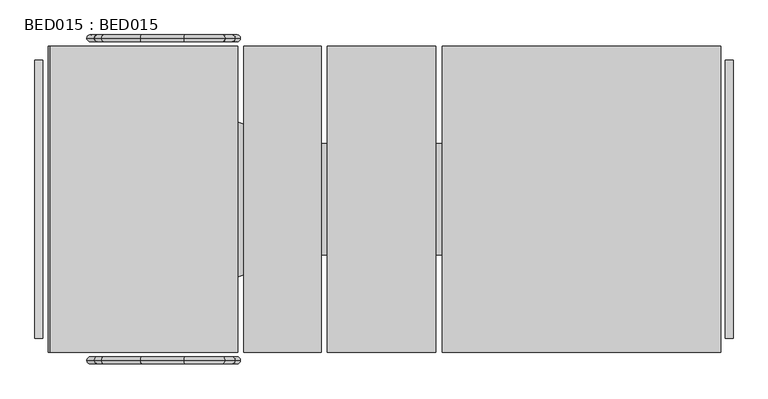
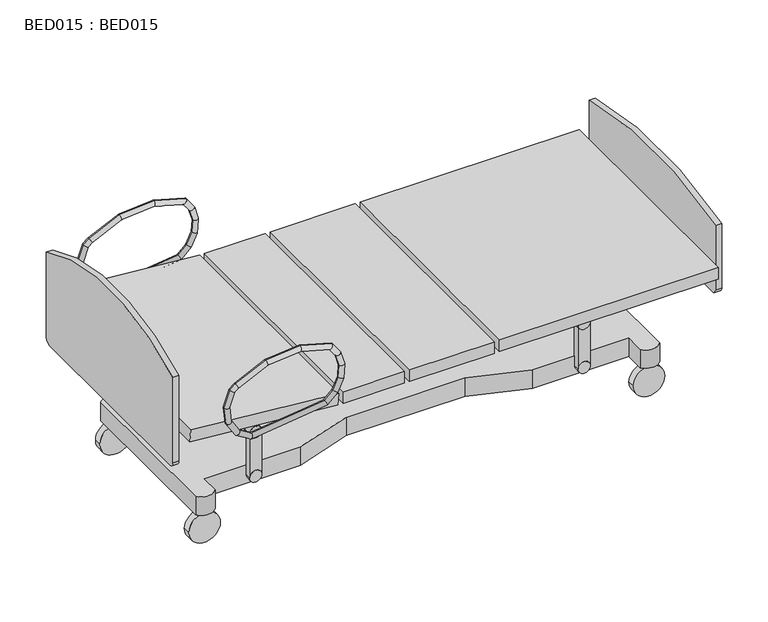
"""IFC4 building model written with IfcOpenShell, lengths in millimetres: proxy geometry, BED015 : BED015."""

from ifc_helpers import new_model, si_unit, point, frame, frame_2d, origin, place, context, project, spatial, polyline, circle_curve, ellipse_curve, trimmed, segment, composite_curve, outline, extrude, source, transform, mapped, element, save
from ifc_brep_helpers import cylinder_surface, advanced_brep


def bed015_bed015_a1354c95(model_context):
    return source(origin(), model_context, "Body", "SolidModel", [
        extrude(outline(polyline([(0.0, -150.0), (0.0, 0.0), (25.0000002, 0.0), (25.0000002, -150.0), (0.0, -150.0)])), frame((1662.8074623, -275.0750331, 457.496), z_axis=(0.7071067811865493, 0.0, 0.7071067811865457), x_axis=(0.0, 1.0, 0.0)), (0.0, 0.0, 1.0), 50.0082623),
        extrude(outline(polyline([(486.6650056, 339.9652372), (356.5131585, 415.1464592), (381.5030559, 458.4535191), (511.4340311, 383.4781745), (486.6650056, 339.9652372)])), frame((0.0, -274.9381326, 0.0), z_axis=(0.0, 1.0, 0.0), x_axis=(0.0, 0.0, 1.0)), (0.0, 0.0, 1.0), 25.0000002),
        extrude(outline(polyline([(1811.6899784, -814.2138184), (1761.690017, -814.2138184), (1761.690017, -789.2138182), (1811.6899784, -789.2138182), (1811.6899784, -814.2138184)])), frame((0.0, 0.0, 177.4846607), z_axis=(0.0, 0.0, 1.0), x_axis=(1.0, 0.0, 0.0)), (0.0, 0.0, 1.0), 191.5234375),
        extrude(outline(polyline([(1811.6899784, -274.9100003), (1761.690017, -274.9100003), (1761.690017, -249.9100001), (1811.6899784, -249.9100001), (1811.6899784, -274.9100003)])), frame((0.0, 0.0, 177.4846703), z_axis=(0.0, 0.0, 1.0), x_axis=(1.0, 0.0, 0.0)), (0.0, 0.0, 1.0), 191.5234375),
        extrude(outline(polyline([(0.0, -150.0), (0.0, 0.0), (25.0000002, 0.0), (25.0000002, -150.0), (0.0, -150.0)])), frame((1662.8074623, -814.2099672, 457.5225992), z_axis=(0.7071067811865496, 0.0, 0.7071067811865456), x_axis=(0.0, 1.0, 0.0)), (0.0, 0.0, 1.0), 50.0082623),
        extrude(outline(polyline([(461.8000099, -814.21875), (411.8000095, -814.21875), (411.8000095, -789.2187498), (461.8000099, -789.2187498), (461.8000099, -814.21875)])), frame((0.0, 0.0, 177.4799917), z_axis=(0.0, 0.0, 1.0), x_axis=(1.0, 0.0, 0.0)), (0.0, 0.0, 1.0), 184.8264567),
        extrude(outline(polyline([(461.8000099, -274.9100003), (411.8000095, -274.9100003), (411.8000095, -249.9100001), (461.8000099, -249.9100001), (461.8000099, -274.9100003)])), frame((0.0, 0.0, 177.4799917), z_axis=(0.0, 0.0, 1.0), x_axis=(1.0, 0.0, 0.0)), (0.0, 0.0, 1.0), 184.8264567),
        extrude(outline(polyline([(486.6650056, 339.9652372), (356.5131585, 415.1464592), (381.5030559, 458.4535191), (511.4340311, 383.4781745), (486.6650056, 339.9652372)])), frame((0.0, -274.9381326, 0.0), z_axis=(0.0, 1.0, 0.0), x_axis=(0.0, 0.0, 1.0)), (0.0, 0.0, 1.0), 25.0000002),
        extrude(outline(polyline([(486.6650056, 339.9652372), (356.5131585, 415.1464592), (381.5030559, 458.4535191), (511.4340311, 383.4781745), (486.6650056, 339.9652372)])), frame((0.0, -814.2099672, 0.0), z_axis=(0.0, 1.0, 0.0), x_axis=(0.0, 0.0, 1.0)), (0.0, 0.0, 1.0), 25.0000002),
        extrude(outline(composite_curve([segment(trimmed(circle_curve(frame_2d((499.032502, 361.6918124)), 24.9999807), [point((499.032502, 336.6918317))], [point((499.032502, 386.6917931))], False, "CARTESIAN"), True, "CONTINUOUS"), segment(trimmed(circle_curve(frame_2d((499.032502, 361.6918124)), 24.9999807), [point((499.032502, 386.6917931))], [point((499.032502, 336.6918317))], False, "CARTESIAN"), True, "CONTINUOUS")], self_intersect=False)), frame((0.0, -274.9600223, 0.0), z_axis=(0.0, 1.0, 0.0), x_axis=(0.0, 0.0, 1.0)), (0.0, 0.0, 1.0), 26.8962735),
        extrude(outline(composite_curve([segment(trimmed(circle_curve(frame_2d((369.0081078, 436.7999903)), 24.9999807), [point((369.0081078, 411.8000095))], [point((369.0081078, 461.799971))], False, "CARTESIAN"), True, "CONTINUOUS"), segment(trimmed(circle_curve(frame_2d((369.0081078, 436.7999903)), 24.9999807), [point((369.0081078, 461.799971))], [point((369.0081078, 411.8000095))], False, "CARTESIAN"), True, "CONTINUOUS")], self_intersect=False)), frame((0.0, -274.9787265, 0.0), z_axis=(0.0, 1.0, 0.0), x_axis=(0.0, 0.0, 1.0)), (0.0, 0.0, 1.0), 26.8962735),
        extrude(outline(composite_curve([segment(trimmed(circle_curve(frame_2d((177.4799917, 436.6899977)), 24.9999807), [point((177.4799917, 411.690017))], [point((177.4799917, 461.6899784))], False, "CARTESIAN"), True, "CONTINUOUS"), segment(trimmed(circle_curve(frame_2d((177.4799917, 436.6899977)), 24.9999807), [point((177.4799917, 461.6899784))], [point((177.4799917, 411.690017))], False, "CARTESIAN"), True, "CONTINUOUS")], self_intersect=False)), frame((0.0, -274.908258, 0.0), z_axis=(0.0, 1.0, 0.0), x_axis=(0.0, 0.0, 1.0)), (0.0, 0.0, 1.0), 26.8962735),
        extrude(outline(composite_curve([segment(trimmed(circle_curve(frame_2d((499.1349917, 361.6918124)), 24.9999807), [point((499.1349917, 336.6918317))], [point((499.1349917, 386.6917931))], False, "CARTESIAN"), True, "CONTINUOUS"), segment(trimmed(circle_curve(frame_2d((499.1349917, 361.6918124)), 24.9999807), [point((499.1349917, 386.6917931))], [point((499.1349917, 336.6918317))], False, "CARTESIAN"), True, "CONTINUOUS")], self_intersect=False)), frame((0.0, -816.0724765, 0.0), z_axis=(0.0, 1.0, 0.0), x_axis=(0.0, 0.0, 1.0)), (0.0, 0.0, 1.0), 26.8962735),
        extrude(outline(composite_curve([segment(trimmed(circle_curve(frame_2d((368.9325217, 436.7999903)), 24.9999807), [point((368.9325217, 411.8000095))], [point((368.9325217, 461.799971))], False, "CARTESIAN"), True, "CONTINUOUS"), segment(trimmed(circle_curve(frame_2d((368.9325217, 436.7999903)), 24.9999807), [point((368.9325217, 461.799971))], [point((368.9325217, 411.8000095))], False, "CARTESIAN"), True, "CONTINUOUS")], self_intersect=False)), frame((0.0, -816.1062406, 0.0), z_axis=(0.0, 1.0, 0.0), x_axis=(0.0, 0.0, 1.0)), (0.0, 0.0, 1.0), 26.8962735),
        extrude(outline(composite_curve([segment(trimmed(circle_curve(frame_2d((177.4846703, 436.6899977)), 24.9999807), [point((177.4846703, 411.690017))], [point((177.4846703, 461.6899784))], False, "CARTESIAN"), True, "CONTINUOUS"), segment(trimmed(circle_curve(frame_2d((177.4846703, 436.6899977)), 24.9999807), [point((177.4846703, 461.6899784))], [point((177.4846703, 411.690017))], False, "CARTESIAN"), True, "CONTINUOUS")], self_intersect=False)), frame((0.0, -816.1062406, 0.0), z_axis=(0.0, 1.0, 0.0), x_axis=(0.0, 0.0, 1.0)), (0.0, 0.0, 1.0), 26.8962735),
        extrude(outline(composite_curve([segment(trimmed(circle_curve(frame_2d((474.970002, 1680.4399977)), 24.9999807), [point((474.970002, 1655.440017))], [point((474.970002, 1705.4399784))], False, "CARTESIAN"), True, "CONTINUOUS"), segment(trimmed(circle_curve(frame_2d((474.970002, 1680.4399977)), 24.9999807), [point((474.970002, 1705.4399784))], [point((474.970002, 1655.440017))], False, "CARTESIAN"), True, "CONTINUOUS")], self_intersect=False)), frame((0.0, -274.9100003, 0.0), z_axis=(0.0, 1.0, 0.0), x_axis=(0.0, 0.0, 1.0)), (0.0, 0.0, 1.0), 27.0650141),
        extrude(outline(composite_curve([segment(trimmed(circle_curve(frame_2d((369.0081078, 1786.6899977)), 24.9999807), [point((369.0081078, 1761.690017))], [point((369.0081078, 1811.6899784))], False, "CARTESIAN"), True, "CONTINUOUS"), segment(trimmed(circle_curve(frame_2d((369.0081078, 1786.6899977)), 24.9999807), [point((369.0081078, 1811.6899784))], [point((369.0081078, 1761.690017))], False, "CARTESIAN"), True, "CONTINUOUS")], self_intersect=False)), frame((0.0, -275.0, 0.0), z_axis=(0.0, 1.0, 0.0), x_axis=(0.0, 0.0, 1.0)), (0.0, 0.0, 1.0), 26.8962735),
        extrude(outline(composite_curve([segment(trimmed(circle_curve(frame_2d((474.970002, 1680.4399977)), 24.9999807), [point((474.970002, 1655.440017))], [point((474.970002, 1705.4399784))], False, "CARTESIAN"), True, "CONTINUOUS"), segment(trimmed(circle_curve(frame_2d((474.970002, 1680.4399977)), 24.9999807), [point((474.970002, 1705.4399784))], [point((474.970002, 1655.440017))], False, "CARTESIAN"), True, "CONTINUOUS")], self_intersect=False)), frame((0.0, -816.1062406, 0.0), z_axis=(0.0, 1.0, 0.0), x_axis=(0.0, 0.0, 1.0)), (0.0, 0.0, 1.0), 26.8962735),
        extrude(outline(composite_curve([segment(trimmed(circle_curve(frame_2d((369.0081078, 1786.6899977)), 24.9999807), [point((369.0081078, 1761.690017))], [point((369.0081078, 1811.6899784))], False, "CARTESIAN"), True, "CONTINUOUS"), segment(trimmed(circle_curve(frame_2d((369.0081078, 1786.6899977)), 24.9999807), [point((369.0081078, 1811.6899784))], [point((369.0081078, 1761.690017))], False, "CARTESIAN"), True, "CONTINUOUS")], self_intersect=False)), frame((0.0, -816.084967, 0.0), z_axis=(0.0, 1.0, 0.0), x_axis=(0.0, 0.0, 1.0)), (0.0, 0.0, 1.0), 26.8962735),
        extrude(outline(composite_curve([segment(trimmed(circle_curve(frame_2d((177.4846703, 1786.6899977)), 24.9999807), [point((177.4846703, 1761.690017))], [point((177.4846703, 1811.6899784))], False, "CARTESIAN"), True, "CONTINUOUS"), segment(trimmed(circle_curve(frame_2d((177.4846703, 1786.6899977)), 24.9999807), [point((177.4846703, 1811.6899784))], [point((177.4846703, 1761.690017))], False, "CARTESIAN"), True, "CONTINUOUS")], self_intersect=False)), frame((0.0, -816.1062406, 0.0), z_axis=(0.0, 1.0, 0.0), x_axis=(0.0, 0.0, 1.0)), (0.0, 0.0, 1.0), 26.8962735),
        extrude(outline(composite_curve([segment(trimmed(circle_curve(frame_2d((177.4799917, 1786.6899977)), 24.9999807), [point((177.4799917, 1761.690017))], [point((177.4799917, 1811.6899784))], False, "CARTESIAN"), True, "CONTINUOUS"), segment(trimmed(circle_curve(frame_2d((177.4799917, 1786.6899977)), 24.9999807), [point((177.4799917, 1811.6899784))], [point((177.4799917, 1761.690017))], False, "CARTESIAN"), True, "CONTINUOUS")], self_intersect=False)), frame((0.0, -274.9100003, 0.0), z_axis=(0.0, 1.0, 0.0), x_axis=(0.0, 0.0, 1.0)), (0.0, 0.0, 1.0), 26.8962735),
        extrude(outline(composite_curve([segment(trimmed(circle_curve(frame_2d((64.3041349, 2024.8453983)), 65.0), [point((64.3041349, 1959.8453983))], [point((64.3041349, 2089.8453983))], False, "CARTESIAN"), True, "CONTINUOUS"), segment(trimmed(circle_curve(frame_2d((64.3041349, 2024.8453983)), 65.0), [point((64.3041349, 2089.8453983))], [point((64.3041349, 1959.8453983))], False, "CARTESIAN"), True, "CONTINUOUS")], self_intersect=False)), frame((0.0, -230.4499922, 0.0), z_axis=(0.0, 1.0, 0.0), x_axis=(0.0, 0.0, 1.0)), (0.0, 0.0, 1.0), 30.0000039),
        extrude(outline(composite_curve([segment(trimmed(circle_curve(frame_2d((64.3041349, 2024.8453983)), 65.0), [point((64.3041349, 1959.8453983))], [point((64.3041349, 2089.8453983))], False, "CARTESIAN"), True, "CONTINUOUS"), segment(trimmed(circle_curve(frame_2d((64.3041349, 2024.8453983)), 65.0), [point((64.3041349, 2089.8453983))], [point((64.3041349, 1959.8453983))], False, "CARTESIAN"), True, "CONTINUOUS")], self_intersect=False)), frame((0.0, -863.7499961, 0.0), z_axis=(0.0, 1.0, 0.0), x_axis=(0.0, 0.0, 1.0)), (0.0, 0.0, 1.0), 30.0000039),
        extrude(outline(composite_curve([segment(trimmed(circle_curve(frame_2d((66.6954777, 198.3449473)), 65.0), [point((66.6954777, 133.3449473))], [point((66.6954777, 263.3449473))], False, "CARTESIAN"), True, "CONTINUOUS"), segment(trimmed(circle_curve(frame_2d((66.6954777, 198.3449473)), 65.0), [point((66.6954777, 263.3449473))], [point((66.6954777, 133.3449473))], False, "CARTESIAN"), True, "CONTINUOUS")], self_intersect=False)), frame((0.0, -863.75, 0.0), z_axis=(0.0, 1.0, 0.0), x_axis=(0.0, 0.0, 1.0)), (0.0, 0.0, 1.0), 30.0000039),
        extrude(outline(composite_curve([segment(trimmed(circle_curve(frame_2d((66.6954777, 198.3449473)), 65.0), [point((66.6954777, 133.3449473))], [point((66.6954777, 263.3449473))], False, "CARTESIAN"), True, "CONTINUOUS"), segment(trimmed(circle_curve(frame_2d((66.6954777, 198.3449473)), 65.0), [point((66.6954777, 263.3449473))], [point((66.6954777, 133.3449473))], False, "CARTESIAN"), True, "CONTINUOUS")], self_intersect=False)), frame((0.0, -230.4499961, 0.0), z_axis=(0.0, 1.0, 0.0), x_axis=(0.0, 0.0, 1.0)), (0.0, 0.0, 1.0), 30.0000039),
        extrude(outline(composite_curve([segment(polyline([(158.4800068, -869.2100258), (158.4800068, -194.9099961)]), True, "CONTINUOUS"), segment(trimmed(circle_curve(frame_2d((198.4799998, -224.9099909)), 49.9999913), [point((158.4800068, -194.9099961))], [point((238.4799929, -194.9099961))], False, "CARTESIAN"), True, "CONTINUOUS"), segment(polyline([(238.4799929, -194.9099961), (238.4799929, -274.9100003), (635.1099981, -274.9100003), (869.1100319, -352.060015), (1354.3799755, -352.060015), (1588.3700535, -274.9100003), (1985.0000587, -274.9100003), (1985.0000587, -194.9099961)]), True, "CONTINUOUS"), segment(trimmed(circle_curve(frame_2d((2025.0000154, -224.9099182)), 49.9999186), [point((1985.0000587, -194.9099961))], [point((2064.9999722, -194.9099961))], False, "CARTESIAN"), True, "CONTINUOUS"), segment(polyline([(2064.9999722, -194.9099961), (2064.9999722, -869.2100258)]), True, "CONTINUOUS"), segment(trimmed(circle_curve(frame_2d((2025.0000154, -839.2099674)), 50.0000004), [point((2064.9999722, -869.2100258))], [point((1985.0000587, -869.2100258))], False, "CARTESIAN"), True, "CONTINUOUS"), segment(polyline([(1985.0000587, -869.2100258), (1985.0000587, -789.209967), (1588.3700535, -789.209967), (1354.3799755, -712.060025), (869.1100319, -712.060025), (635.1099981, -789.209967), (238.4799929, -789.209967), (238.4799929, -869.2100258)]), True, "CONTINUOUS"), segment(trimmed(circle_curve(frame_2d((198.4799998, -839.2098948)), 50.0000731), [point((238.4799929, -869.2100258))], [point((158.4800068, -869.2100258))], False, "CARTESIAN"), True, "CONTINUOUS")], self_intersect=False)), frame((0.0, 0.0, 139.0000003), z_axis=(0.0, 0.0, 1.0), x_axis=(1.0, 0.0, 0.0)), (0.0, 0.0, 1.0), 80.0000042),
        extrude(outline(composite_curve([segment(trimmed(circle_curve(frame_2d((-104.4382511, 488.6500062)), 22.3782527), [point((-82.0599984, 488.6500062))], [point((-102.0990868, 466.3943439))], False, "CARTESIAN"), True, "CONTINUOUS"), segment(trimmed(circle_curve(frame_2d((-532.1283602, 4557.8495776)), 4113.992113), [point((-102.0990868, 466.3943439))], [point((-962.1576337, 466.3943439))], False, "CARTESIAN"), True, "CONTINUOUS"), segment(trimmed(circle_curve(frame_2d((-959.832851, 488.5131735)), 22.2406663), [point((-962.1576337, 466.3943439))], [point((-982.0599689, 487.7369855))], False, "CARTESIAN"), True, "CONTINUOUS"), segment(polyline([(-982.0599689, 487.7369855), (-982.0599689, 859.2516306)]), True, "CONTINUOUS"), segment(trimmed(circle_curve(frame_2d((-532.0599837, -8.4389925)), 977.4390028), [point((-982.0599689, 859.2516306))], [point((-82.0599984, 859.2516306))], False, "CARTESIAN"), True, "CONTINUOUS"), segment(polyline([(-82.0599984, 859.2516306), (-82.0599984, 488.6500062)]), True, "CONTINUOUS")], self_intersect=False)), frame((0.0, 0.0, 0.0), z_axis=(1.0, 0.0, 0.0), x_axis=(0.0, 1.0, 0.0)), (0.0, 0.0, 1.0), 25.0000002),
        extrude(outline(composite_curve([segment(trimmed(circle_curve(frame_2d((-102.0600131, 458.9999991)), 20.0000147), [point((-82.0599984, 458.9999991))], [point((-102.0600131, 438.9999845))], False, "CARTESIAN"), True, "CONTINUOUS"), segment(polyline([(-102.0600131, 438.9999845), (-962.0600269, 438.9999845)]), True, "CONTINUOUS"), segment(trimmed(circle_curve(frame_2d((-962.0600269, 458.9999265)), 19.999942), [point((-962.0600269, 438.9999845))], [point((-982.0599689, 458.9999265))], False, "CARTESIAN"), True, "CONTINUOUS"), segment(polyline([(-982.0599689, 458.9999265), (-982.0599689, 739.0000231)]), True, "CONTINUOUS"), segment(trimmed(circle_curve(frame_2d((-532.0599837, -918.5006854)), 1717.5006799), [point((-982.0599689, 739.0000231))], [point((-82.0599984, 739.0000231))], False, "CARTESIAN"), True, "CONTINUOUS"), segment(polyline([(-82.0599984, 739.0000231), (-82.0599984, 458.9999991)]), True, "CONTINUOUS")], self_intersect=False)), frame((2229.9999298, 0.0, 0.0), z_axis=(1.0, 0.0, 0.0), x_axis=(0.0, 1.0, 0.0)), (0.0, 0.0, 1.0), 25.0000729),
        extrude(outline(polyline([(2064.9999722, -789.209967), (1464.9999676, -789.209967), (1464.9999676, -274.9100003), (2064.9999722, -274.9100003), (2064.9999722, -789.209967)])), frame((0.0, 0.0, 438.9999845), z_axis=(0.0, 0.0, 1.0), x_axis=(1.0, 0.0, 0.0)), (0.0, 0.0, 1.0), 100.0000008),
        extrude(outline(polyline([(0.0, -410.0), (0.0, 0.0), (514.2999667, 0.0), (514.2999667, -410.0), (0.0, -410.0)])), frame((133.863975, -789.209967, 484.0154115), z_axis=(0.08715574274767202, 0.0, 0.9961946980917444), x_axis=(0.0, 1.0, 0.0)), (0.0, 0.0, 1.0), 100.0),
        extrude(outline(polyline([(2214.9999733, -1027.0599838), (1314.9999664, -1027.0599838), (1314.9999664, -37.0599994), (2214.9999733, -37.0599994), (2214.9999733, -1027.0599838)])), frame((0.0, 0.0, 538.9999852), z_axis=(0.0, 0.0, 1.0), x_axis=(1.0, 0.0, 0.0)), (0.0, 0.0, 1.0), 50.0000004),
        extrude(outline(polyline([(0.0, -609.9986206), (0.0, 0.0), (989.9999844, 0.0), (989.9999844, -609.9986206), (0.0, -609.9986206)])), frame((42.9622124, -1027.0599838, 592.3502689), z_axis=(0.08715574274766484, 0.0, 0.996194698091745), x_axis=(0.0, 1.0, 0.0)), (0.0, 0.0, 1.0), 50.0050726),
        extrude(outline(polyline([(925.0000071, -1027.0599838), (675.0000051, -1027.0599838), (675.0000051, -37.0599994), (925.0000071, -37.0599994), (925.0000071, -1027.0599838)])), frame((0.0, 0.0, 538.9999852), z_axis=(0.0, 0.0, 1.0), x_axis=(1.0, 0.0, 0.0)), (0.0, 0.0, 1.0), 50.0000004),
        extrude(outline(polyline([(1295.0000244, -1027.0599838), (945.0000217, -1027.0599838), (945.0000217, -37.0599994), (1295.0000244, -37.0599994), (1295.0000244, -1027.0599838)])), frame((0.0, 0.0, 538.9999852), z_axis=(0.0, 0.0, 1.0), x_axis=(1.0, 0.0, 0.0)), (0.0, 0.0, 1.0), 50.0000004),
        advanced_brep(
        [(214.3530654, -1052.4199997, 799.6303374), (226.2269461, -1052.4199997, 780.5496636), (211.0857226, -1052.4199997, 768.6587501), (192.1342873, -1052.4199997, 782.1811814), (190.5939535, -1052.4199997, 709.6878091), (167.7860609, -1052.4199997, 712.112179), (198.4618399, -1052.4199997, 645.8560688), (176.9181543, -1052.4199997, 638.0239948), (232.3142019, -1052.4199997, 593.5883634), (216.2657937, -1052.4199997, 577.2716366), (281.7251372, -1052.4199997, 562.7369114), (276.5948533, -1052.4199997, 539.6030704), (581.2641187, -1052.4199997, 599.3688088), (591.4758538, -1052.4199997, 578.1112087), (615.607878, -1052.4199997, 632.9363143), (634.1120615, -1052.4199997, 619.7837327), (637.8791594, -1052.4199997, 680.362374), (659.8808709, -1052.4199997, 674.6576787), (641.3981889, -1052.4199997, 731.7588725), (663.9618136, -1052.4199997, 734.261091), (627.5245215, -1052.4199997, 778.3777578), (647.8554796, -1052.4199997, 788.3822775), (600.8065106, -1052.4199997, 815.383488), (614.3734586, -1052.4199997, 834.756487), (480.7362886, -1052.4199997, 849.4423645), (482.9436976, -1052.4199997, 872.0375874), (346.9308257, -1052.4199997, 838.4957222), (340.9891757, -1052.4199997, 860.4242695)],
        [
            (0, 1, ellipse_curve(frame((220.2900058, -1052.4199997, 790.0900005), z_axis=(-0.8490274329536409, 0.0, -0.5283487655821207), x_axis=(-0.5283487655821202, 0.0, 0.8490274329536414)), 11.2367828, 11.1699997)),
            (1, 2),
            (2, 3, ellipse_curve(frame((201.610005, -1052.4199997, 775.4199657), z_axis=(0.5808311701988386, 0.0, 0.814024048616162), x_axis=(0.8140240486161625, 0.0, -0.5808311701988381)), 11.6405869, 11.1699997)),
            (3, 0),
            (1, 0, ellipse_curve(frame((220.2900058, -1052.4199997, 790.0900005), z_axis=(-0.8490274329536409, 0.0, -0.5283487655821207), x_axis=(-0.5283487655821202, 0.0, 0.8490274329536414)), 11.2367828, 11.1699997)),
            (3, 2, ellipse_curve(frame((201.610005, -1052.4199997, 775.4199657), z_axis=(0.5808311701988386, 0.0, 0.814024048616162), x_axis=(0.8140240486161625, 0.0, -0.5808311701988381)), 11.6405869, 11.1699997)),
            (2, 4),
            (4, 5, ellipse_curve(frame((179.1900072, -1052.4199997, 710.8999941), z_axis=(0.10569976110530512, 0.0, 0.9943980895508003), x_axis=(0.9943980895508002, 0.0, -0.10569976110530542)), 11.4681901, 11.1699997)),
            (5, 3),
            (5, 4, ellipse_curve(frame((179.1900072, -1052.4199997, 710.8999941), z_axis=(0.10569976110530512, 0.0, 0.9943980895508003), x_axis=(0.9943980895508002, 0.0, -0.10569976110530542)), 11.4681901, 11.1699997)),
            (4, 6),
            (6, 7, ellipse_curve(frame((187.6899971, -1052.4199997, 641.9400318), z_axis=(-0.34166625333116835, 0.0, 0.9398213507548348), x_axis=(0.939821350754835, 0.0, 0.3416662533311677)), 11.4615855, 11.1699997)),
            (7, 5),
            (7, 6, ellipse_curve(frame((187.6899971, -1052.4199997, 641.9400318), z_axis=(-0.34166625333116835, 0.0, 0.9398213507548348), x_axis=(0.939821350754835, 0.0, 0.3416662533311677)), 11.4615855, 11.1699997)),
            (6, 8),
            (8, 9, ellipse_curve(frame((224.2899978, -1052.4199997, 585.43), z_axis=(-0.7129444524173487, 0.0, 0.7012205129396365), x_axis=(0.7012205129396368, 0.0, 0.7129444524173483)), 11.4431964, 11.1699997)),
            (9, 7),
            (9, 8, ellipse_curve(frame((224.2899978, -1052.4199997, 585.43), z_axis=(-0.7129444524173487, 0.0, 0.7012205129396365), x_axis=(0.7012205129396368, 0.0, 0.7129444524173483)), 11.4431964, 11.1699997)),
            (8, 10),
            (10, 11, ellipse_curve(frame((279.1599953, -1052.4199997, 551.1699909), z_axis=(-0.976281426588939, 0.0, 0.2165053719829285), x_axis=(0.21650537198292896, 0.0, 0.9762814265889389)), 11.8479367, 11.1699997)),
            (11, 9),
            (11, 10, ellipse_curve(frame((279.1599953, -1052.4199997, 551.1699909), z_axis=(-0.976281426588939, 0.0, 0.2165053719829285), x_axis=(0.21650537198292896, 0.0, 0.9762814265889389)), 11.8479367, 11.1699997)),
            (10, 12),
            (12, 13, ellipse_curve(frame((586.3699862, -1052.4199997, 588.7400087), z_axis=(-0.9013892364609827, 0.0, -0.43300975092056154), x_axis=(-0.4330097509205613, 0.0, 0.9013892364609826)), 11.7915764, 11.1699997)),
            (13, 11),
            (13, 12, ellipse_curve(frame((586.3699862, -1052.4199997, 588.7400087), z_axis=(-0.9013892364609827, 0.0, -0.43300975092056154), x_axis=(-0.4330097509205613, 0.0, 0.9013892364609826)), 11.7915764, 11.1699997)),
            (12, 14),
            (14, 15, ellipse_curve(frame((624.8599697, -1052.4199997, 626.3600235), z_axis=(-0.579349740408754, 0.0, -0.8150790625996409), x_axis=(-0.8150790625996409, 0.0, 0.5793497404087542)), 11.3511586, 11.1699997)),
            (15, 13),
            (15, 14, ellipse_curve(frame((624.8599697, -1052.4199997, 626.3600235), z_axis=(-0.579349740408754, 0.0, -0.8150790625996409), x_axis=(-0.8150790625996409, 0.0, 0.5793497404087542)), 11.3511586, 11.1699997)),
            (14, 16),
            (16, 17, ellipse_curve(frame((648.8800152, -1052.4199997, 677.5100264), z_axis=(-0.25098474459987513, 0.0, -0.9679910423026317), x_axis=(-0.967991042302632, 0.0, 0.250984744599874)), 11.3646256, 11.1699997)),
            (17, 15),
            (17, 16, ellipse_curve(frame((648.8800152, -1052.4199997, 677.5100264), z_axis=(-0.25098474459987513, 0.0, -0.9679910423026317), x_axis=(-0.967991042302632, 0.0, 0.250984744599874)), 11.3646256, 11.1699997)),
            (16, 18),
            (18, 19, ellipse_curve(frame((652.6800013, -1052.4199997, 733.0099817), z_axis=(0.11022045215464882, 0.0, -0.9939071646420629), x_axis=(-0.9939071646420627, 0.0, -0.11022045215464936)), 11.350972, 11.1699997)),
            (19, 17),
            (19, 18, ellipse_curve(frame((652.6800013, -1052.4199997, 733.0099817), z_axis=(0.11022045215464882, 0.0, -0.9939071646420629), x_axis=(-0.9939071646420627, 0.0, -0.11022045215464936)), 11.350972, 11.1699997)),
            (18, 20),
            (20, 21, ellipse_curve(frame((637.6900005, -1052.4199997, 783.3800177), z_axis=(0.4415217754701648, 0.0, -0.8972505345697341), x_axis=(-0.8972505345697347, 0.0, -0.441521775470163)), 11.3295882, 11.1699997)),
            (21, 19),
            (21, 20, ellipse_curve(frame((637.6900005, -1052.4199997, 783.3800177), z_axis=(0.4415217754701648, 0.0, -0.8972505345697341), x_axis=(-0.8972505345697347, 0.0, -0.441521775470163)), 11.3295882, 11.1699997)),
            (20, 22),
            (22, 23, ellipse_curve(frame((607.5899846, -1052.4199997, 825.0699875), z_axis=(0.8191157272395575, 0.0, -0.5736282989783638), x_axis=(-0.5736282989783645, 0.0, -0.8191157272395568)), 11.8255567, 11.1699997)),
            (23, 21),
            (23, 22, ellipse_curve(frame((607.5899846, -1052.4199997, 825.0699875), z_axis=(0.8191157272395575, 0.0, -0.5736282989783638), x_axis=(-0.5736282989783645, 0.0, -0.8191157272395568)), 11.8255567, 11.1699997)),
            (22, 24),
            (24, 25, ellipse_curve(frame((481.8399931, -1052.4199997, 860.7399759), z_axis=(0.9952618676609998, 0.0, -0.09723072960714807), x_axis=(-0.09723072960714704, 0.0, -0.995261867661)), 11.3513959, 11.1699997)),
            (25, 23),
            (25, 24, ellipse_curve(frame((481.8399931, -1052.4199997, 860.7399759), z_axis=(0.9952618676609998, 0.0, -0.09723072960714807), x_axis=(-0.09723072960714704, 0.0, -0.995261867661)), 11.3513959, 11.1699997)),
            (24, 26),
            (26, 27, ellipse_curve(frame((343.9600007, -1052.4199997, 849.4599958), z_axis=(0.9651967288793564, 0.0, 0.2615249023718198), x_axis=(0.2615249023718215, 0.0, -0.9651967288793563)), 11.3596258, 11.1699997)),
            (27, 25),
            (27, 26, ellipse_curve(frame((343.9600007, -1052.4199997, 849.4599958), z_axis=(0.9651967288793564, 0.0, 0.2615249023718198), x_axis=(0.2615249023718215, 0.0, -0.9651967288793563)), 11.3596258, 11.1699997)),
            (26, 1),
            (0, 27),
        ],
        [
            cylinder_surface(frame((220.2900058, -1052.4199997, 790.0900005), z_axis=(0.7864637130004625, 0.0, 0.6176364854293553), x_axis=(-0.6176364854293553, 0.0, 0.7864637130004625)), 11.1699997),
            cylinder_surface(frame((201.610005, -1052.4199997, 775.4199657), z_axis=(0.32823679071726797, 0.0, 0.9445954738509117), x_axis=(-0.9445954738509117, 0.0, 0.32823679071726797)), 11.1699997),
            cylinder_surface(frame((179.1900072, -1052.4199997, 710.8999941), z_axis=(-0.12233397636276708, 0.0, 0.9924889914892125), x_axis=(-0.9924889914892125, 0.0, -0.12233397636276708)), 11.1699997),
            cylinder_surface(frame((187.6899971, -1052.4199997, 641.9400318), z_axis=(-0.5436143708959027, 0.0, 0.8393351033737668), x_axis=(-0.8393351033737668, 0.0, -0.5436143708959027)), 11.1699997),
            cylinder_surface(frame((224.2899978, -1052.4199997, 585.43), z_axis=(-0.8482326365073795, 0.0, 0.5296238234480581), x_axis=(-0.5296238234480581, 0.0, -0.8482326365073795)), 11.1699997),
            cylinder_surface(frame((279.1599953, -1052.4199997, 551.1699909), z_axis=(-0.9926049047937786, 0.0, -0.12138988005321383), x_axis=(0.12138988005321383, 0.0, -0.9926049047937786)), 11.1699997),
            cylinder_surface(frame((586.3699862, -1052.4199997, 588.7400087), z_axis=(-0.715142586897621, 0.0, -0.6989785979594646), x_axis=(0.6989785979594646, 0.0, -0.715142586897621)), 11.1699997),
            cylinder_surface(frame((624.8599697, -1052.4199997, 626.3600235), z_axis=(-0.4250646208381805, 0.0, -0.9051630063760304), x_axis=(0.9051630063760304, 0.0, -0.4250646208381805)), 11.1699997),
            cylinder_surface(frame((648.8800152, -1052.4199997, 677.5100264), z_axis=(-0.06830834835900886, 0.0, -0.9976642569243745), x_axis=(0.9976642569243745, 0.0, -0.06830834835900886)), 11.1699997),
            cylinder_surface(frame((652.6800013, -1052.4199997, 733.0099817), z_axis=(0.2852346918688931, 0.0, -0.9584577041030333), x_axis=(0.9584577041030333, 0.0, 0.2852346918688931)), 11.1699997),
            cylinder_surface(frame((637.6900005, -1052.4199997, 783.3800177), z_axis=(0.5853703208131252, 0.0, -0.8107660498017532), x_axis=(0.8107660498017532, 0.0, 0.5853703208131252)), 11.1699997),
            cylinder_surface(frame((607.5899846, -1052.4199997, 825.0699875), z_axis=(0.9620447672020827, 0.0, -0.2728916742941982), x_axis=(0.2728916742941982, 0.0, 0.9620447672020827)), 11.1699997),
            cylinder_surface(frame((481.8399931, -1052.4199997, 860.7399759), z_axis=(0.9966702562569703, 0.0, 0.0815377231265695), x_axis=(-0.0815377231265695, 0.0, 0.9966702562569703)), 11.1699997),
            cylinder_surface(frame((343.9600007, -1052.4199997, 849.4599958), z_axis=(0.9014991747661345, 0.0, 0.4327808196951183), x_axis=(-0.4327808196951183, 0.0, 0.9014991747661345)), 11.1699997),
        ],
        [
            (0, [[1, 2, 3, 4]]),
            (0, [[5, -4, 6, -2]]),
            (1, [[-3, 7, 8, 9]]),
            (1, [[-6, -9, 10, -7]]),
            (2, [[-8, 11, 12, 13]]),
            (2, [[-10, -13, 14, -11]]),
            (3, [[-12, 15, 16, 17]]),
            (3, [[-14, -17, 18, -15]]),
            (4, [[-16, 19, 20, 21]]),
            (4, [[-18, -21, 22, -19]]),
            (5, [[-20, 23, 24, 25]]),
            (5, [[-22, -25, 26, -23]]),
            (6, [[-24, 27, 28, 29]]),
            (6, [[-26, -29, 30, -27]]),
            (7, [[-28, 31, 32, 33]]),
            (7, [[-30, -33, 34, -31]]),
            (8, [[-32, 35, 36, 37]]),
            (8, [[-34, -37, 38, -35]]),
            (9, [[-36, 39, 40, 41]]),
            (9, [[-38, -41, 42, -39]]),
            (10, [[-40, 43, 44, 45]]),
            (10, [[-42, -45, 46, -43]]),
            (11, [[-44, 47, 48, 49]]),
            (11, [[-46, -49, 50, -47]]),
            (12, [[-48, 51, 52, 53]]),
            (12, [[-50, -53, 54, -51]]),
            (13, [[-52, 55, -1, 56]]),
            (13, [[-54, -56, -5, -55]]),
        ],
    ),
        advanced_brep(
        [(214.3530654, -11.1699997, 799.6303374), (226.2269461, -11.1699997, 780.5496636), (211.0857226, -11.1699997, 768.6587501), (192.1342873, -11.1699997, 782.1811814), (190.5939535, -11.1699997, 709.6878091), (167.7860609, -11.1699997, 712.112179), (198.4618399, -11.1699997, 645.8560688), (176.9181543, -11.1699997, 638.0239948), (232.3142019, -11.1699997, 593.5883634), (216.2657937, -11.1699997, 577.2716366), (281.7251372, -11.1699997, 562.7369114), (276.5948533, -11.1699997, 539.6030704), (581.2641187, -11.1699997, 599.3688088), (591.4758538, -11.1699997, 578.1112087), (615.607878, -11.1699997, 632.9363143), (634.1120615, -11.1699997, 619.7837327), (637.8791594, -11.1699997, 680.362374), (659.8808709, -11.1699997, 674.6576787), (641.3981889, -11.1699997, 731.7588725), (663.9618136, -11.1699997, 734.261091), (627.5245215, -11.1699997, 778.3777578), (647.8554796, -11.1699997, 788.3822775), (600.8065106, -11.1699997, 815.383488), (614.3734586, -11.1699997, 834.756487), (480.7362886, -11.1699997, 849.4423645), (482.9436976, -11.1699997, 872.0375874), (346.9308257, -11.1699997, 838.4957222), (340.9891757, -11.1699997, 860.4242695)],
        [
            (0, 1, ellipse_curve(frame((220.2900058, -11.1699997, 790.0900005), z_axis=(-0.8490274329536411, 0.0, -0.5283487655821204), x_axis=(-0.5283487655821204, 0.0, 0.849027432953641)), 11.2367828, 11.1699997)),
            (1, 2),
            (2, 3, ellipse_curve(frame((201.610005, -11.1699997, 775.4199657), z_axis=(0.5808311701988389, 0.0, 0.8140240486161618), x_axis=(0.814024048616162, 0.0, -0.5808311701988388)), 11.6405869, 11.1699997)),
            (3, 0),
            (1, 0, ellipse_curve(frame((220.2900058, -11.1699997, 790.0900005), z_axis=(-0.8490274329536411, 0.0, -0.5283487655821204), x_axis=(-0.5283487655821204, 0.0, 0.849027432953641)), 11.2367828, 11.1699997)),
            (3, 2, ellipse_curve(frame((201.610005, -11.1699997, 775.4199657), z_axis=(0.5808311701988389, 0.0, 0.8140240486161618), x_axis=(0.814024048616162, 0.0, -0.5808311701988388)), 11.6405869, 11.1699997)),
            (2, 4),
            (4, 5, ellipse_curve(frame((179.1900072, -11.1699997, 710.8999941), z_axis=(0.10569976110530542, 0.0, 0.9943980895508002), x_axis=(0.9943980895508002, 0.0, -0.10569976110530493)), 11.4681901, 11.1699997)),
            (5, 3),
            (5, 4, ellipse_curve(frame((179.1900072, -11.1699997, 710.8999941), z_axis=(0.10569976110530542, 0.0, 0.9943980895508002), x_axis=(0.9943980895508002, 0.0, -0.10569976110530493)), 11.4681901, 11.1699997)),
            (4, 6),
            (6, 7, ellipse_curve(frame((187.6899971, -11.1699997, 641.9400318), z_axis=(-0.341666253331168, 0.0, 0.9398213507548346), x_axis=(0.9398213507548344, 0.0, 0.3416662533311691)), 11.4615855, 11.1699997)),
            (7, 5),
            (7, 6, ellipse_curve(frame((187.6899971, -11.1699997, 641.9400318), z_axis=(-0.341666253331168, 0.0, 0.9398213507548346), x_axis=(0.9398213507548344, 0.0, 0.3416662533311691)), 11.4615855, 11.1699997)),
            (6, 8),
            (8, 9, ellipse_curve(frame((224.2899978, -11.1699997, 585.43), z_axis=(-0.7129444524173485, 0.0, 0.7012205129396367), x_axis=(0.701220512939637, 0.0, 0.712944452417348)), 11.4431964, 11.1699997)),
            (9, 7),
            (9, 8, ellipse_curve(frame((224.2899978, -11.1699997, 585.43), z_axis=(-0.7129444524173485, 0.0, 0.7012205129396367), x_axis=(0.701220512939637, 0.0, 0.712944452417348)), 11.4431964, 11.1699997)),
            (8, 10),
            (10, 11, ellipse_curve(frame((279.1599953, -11.1699997, 551.1699909), z_axis=(-0.976281426588939, 0.0, 0.21650537198292888), x_axis=(0.21650537198293, 0.0, 0.9762814265889387)), 11.8479367, 11.1699997)),
            (11, 9),
            (11, 10, ellipse_curve(frame((279.1599953, -11.1699997, 551.1699909), z_axis=(-0.976281426588939, 0.0, 0.21650537198292888), x_axis=(0.21650537198293, 0.0, 0.9762814265889387)), 11.8479367, 11.1699997)),
            (10, 12),
            (12, 13, ellipse_curve(frame((586.3699862, -11.1699997, 588.7400087), z_axis=(-0.9013892364609829, 0.0, -0.43300975092056115), x_axis=(-0.43300975092056077, 0.0, 0.901389236460983)), 11.7915764, 11.1699997)),
            (13, 11),
            (13, 12, ellipse_curve(frame((586.3699862, -11.1699997, 588.7400087), z_axis=(-0.9013892364609829, 0.0, -0.43300975092056115), x_axis=(-0.43300975092056077, 0.0, 0.901389236460983)), 11.7915764, 11.1699997)),
            (12, 14),
            (14, 15, ellipse_curve(frame((624.8599697, -11.1699997, 626.3600235), z_axis=(-0.5793497404087543, 0.0, -0.8150790625996407), x_axis=(-0.8150790625996407, 0.0, 0.5793497404087544)), 11.3511586, 11.1699997)),
            (15, 13),
            (15, 14, ellipse_curve(frame((624.8599697, -11.1699997, 626.3600235), z_axis=(-0.5793497404087543, 0.0, -0.8150790625996407), x_axis=(-0.8150790625996407, 0.0, 0.5793497404087544)), 11.3511586, 11.1699997)),
            (14, 16),
            (16, 17, ellipse_curve(frame((648.8800152, -11.1699997, 677.5100264), z_axis=(-0.25098474459987563, 0.0, -0.9679910423026317), x_axis=(-0.9679910423026316, 0.0, 0.25098474459987585)), 11.3646256, 11.1699997)),
            (17, 15),
            (17, 16, ellipse_curve(frame((648.8800152, -11.1699997, 677.5100264), z_axis=(-0.25098474459987563, 0.0, -0.9679910423026317), x_axis=(-0.9679910423026316, 0.0, 0.25098474459987585)), 11.3646256, 11.1699997)),
            (16, 18),
            (18, 19, ellipse_curve(frame((652.6800013, -11.1699997, 733.0099817), z_axis=(0.1102204521546483, 0.0, -0.9939071646420629), x_axis=(-0.9939071646420627, 0.0, -0.1102204521546494)), 11.350972, 11.1699997)),
            (19, 17),
            (19, 18, ellipse_curve(frame((652.6800013, -11.1699997, 733.0099817), z_axis=(0.1102204521546483, 0.0, -0.9939071646420629), x_axis=(-0.9939071646420627, 0.0, -0.1102204521546494)), 11.350972, 11.1699997)),
            (18, 20),
            (20, 21, ellipse_curve(frame((637.6900005, -11.1699997, 783.3800177), z_axis=(0.44152177547016414, 0.0, -0.8972505345697342), x_axis=(-0.897250534569734, 0.0, -0.4415217754701647)), 11.3295882, 11.1699997)),
            (21, 19),
            (21, 20, ellipse_curve(frame((637.6900005, -11.1699997, 783.3800177), z_axis=(0.44152177547016414, 0.0, -0.8972505345697342), x_axis=(-0.897250534569734, 0.0, -0.4415217754701647)), 11.3295882, 11.1699997)),
            (20, 22),
            (22, 23, ellipse_curve(frame((607.5899846, -11.1699997, 825.0699875), z_axis=(0.819115727239557, 0.0, -0.5736282989783644), x_axis=(-0.5736282989783645, 0.0, -0.8191157272395568)), 11.8255567, 11.1699997)),
            (23, 21),
            (23, 22, ellipse_curve(frame((607.5899846, -11.1699997, 825.0699875), z_axis=(0.819115727239557, 0.0, -0.5736282989783644), x_axis=(-0.5736282989783645, 0.0, -0.8191157272395568)), 11.8255567, 11.1699997)),
            (22, 24),
            (24, 25, ellipse_curve(frame((481.8399931, -11.1699997, 860.7399759), z_axis=(0.9952618676609998, 0.0, -0.0972307296071487), x_axis=(-0.09723072960714829, 0.0, -0.995261867661)), 11.3513959, 11.1699997)),
            (25, 23),
            (25, 24, ellipse_curve(frame((481.8399931, -11.1699997, 860.7399759), z_axis=(0.9952618676609998, 0.0, -0.0972307296071487), x_axis=(-0.09723072960714829, 0.0, -0.995261867661)), 11.3513959, 11.1699997)),
            (24, 26),
            (26, 27, ellipse_curve(frame((343.9600007, -11.1699997, 849.4599958), z_axis=(0.9651967288793565, 0.0, 0.26152490237181925), x_axis=(0.2615249023718215, 0.0, -0.965196728879356)), 11.3596258, 11.1699997)),
            (27, 25),
            (27, 26, ellipse_curve(frame((343.9600007, -11.1699997, 849.4599958), z_axis=(0.9651967288793565, 0.0, 0.26152490237181925), x_axis=(0.2615249023718215, 0.0, -0.965196728879356)), 11.3596258, 11.1699997)),
            (26, 1),
            (0, 27),
        ],
        [
            cylinder_surface(frame((220.2900058, -11.1699997, 790.0900005), z_axis=(0.7864637130004626, 0.0, 0.6176364854293551), x_axis=(-0.6176364854293551, 0.0, 0.7864637130004626)), 11.1699997),
            cylinder_surface(frame((201.610005, -11.1699997, 775.4199657), z_axis=(0.3282367907172683, 0.0, 0.9445954738509117), x_axis=(-0.9445954738509117, 0.0, 0.3282367907172683)), 11.1699997),
            cylinder_surface(frame((179.1900072, -11.1699997, 710.8999941), z_axis=(-0.12233397636276677, 0.0, 0.9924889914892124), x_axis=(-0.9924889914892124, 0.0, -0.12233397636276677)), 11.1699997),
            cylinder_surface(frame((187.6899971, -11.1699997, 641.9400318), z_axis=(-0.5436143708959025, 0.0, 0.839335103373767), x_axis=(-0.839335103373767, 0.0, -0.5436143708959025)), 11.1699997),
            cylinder_surface(frame((224.2899978, -11.1699997, 585.43), z_axis=(-0.8482326365073793, 0.0, 0.5296238234480585), x_axis=(-0.5296238234480585, 0.0, -0.8482326365073793)), 11.1699997),
            cylinder_surface(frame((279.1599953, -11.1699997, 551.1699909), z_axis=(-0.9926049047937787, 0.0, -0.12138988005321344), x_axis=(0.12138988005321344, 0.0, -0.9926049047937787)), 11.1699997),
            cylinder_surface(frame((586.3699862, -11.1699997, 588.7400087), z_axis=(-0.7151425868976212, 0.0, -0.6989785979594643), x_axis=(0.6989785979594643, 0.0, -0.7151425868976212)), 11.1699997),
            cylinder_surface(frame((624.8599697, -11.1699997, 626.3600235), z_axis=(-0.425064620838181, 0.0, -0.9051630063760303), x_axis=(0.9051630063760303, 0.0, -0.425064620838181)), 11.1699997),
            cylinder_surface(frame((648.8800152, -11.1699997, 677.5100264), z_axis=(-0.0683083483590093, 0.0, -0.9976642569243744), x_axis=(0.9976642569243744, 0.0, -0.0683083483590093)), 11.1699997),
            cylinder_surface(frame((652.6800013, -11.1699997, 733.0099817), z_axis=(0.28523469186889255, 0.0, -0.9584577041030334), x_axis=(0.9584577041030334, 0.0, 0.28523469186889255)), 11.1699997),
            cylinder_surface(frame((637.6900005, -11.1699997, 783.3800177), z_axis=(0.5853703208131248, 0.0, -0.8107660498017536), x_axis=(0.8107660498017536, 0.0, 0.5853703208131248)), 11.1699997),
            cylinder_surface(frame((607.5899846, -11.1699997, 825.0699875), z_axis=(0.9620447672020824, 0.0, -0.2728916742941988), x_axis=(0.2728916742941988, 0.0, 0.9620447672020824)), 11.1699997),
            cylinder_surface(frame((481.8399931, -11.1699997, 860.7399759), z_axis=(0.9966702562569704, 0.0, 0.08153772312656891), x_axis=(-0.08153772312656891, 0.0, 0.9966702562569704)), 11.1699997),
            cylinder_surface(frame((343.9600007, -11.1699997, 849.4599958), z_axis=(0.9014991747661348, 0.0, 0.43278081969511784), x_axis=(-0.43278081969511784, 0.0, 0.9014991747661348)), 11.1699997),
        ],
        [
            (0, [[1, 2, 3, 4]]),
            (0, [[5, -4, 6, -2]]),
            (1, [[-3, 7, 8, 9]]),
            (1, [[-6, -9, 10, -7]]),
            (2, [[-8, 11, 12, 13]]),
            (2, [[-10, -13, 14, -11]]),
            (3, [[-12, 15, 16, 17]]),
            (3, [[-14, -17, 18, -15]]),
            (4, [[-16, 19, 20, 21]]),
            (4, [[-18, -21, 22, -19]]),
            (5, [[-20, 23, 24, 25]]),
            (5, [[-22, -25, 26, -23]]),
            (6, [[-24, 27, 28, 29]]),
            (6, [[-26, -29, 30, -27]]),
            (7, [[-28, 31, 32, 33]]),
            (7, [[-30, -33, 34, -31]]),
            (8, [[-32, 35, 36, 37]]),
            (8, [[-34, -37, 38, -35]]),
            (9, [[-36, 39, 40, 41]]),
            (9, [[-38, -41, 42, -39]]),
            (10, [[-40, 43, 44, 45]]),
            (10, [[-42, -45, 46, -43]]),
            (11, [[-44, 47, 48, 49]]),
            (11, [[-46, -49, 50, -47]]),
            (12, [[-48, 51, 52, 53]]),
            (12, [[-50, -53, 54, -51]]),
            (13, [[-52, 55, -1, 56]]),
            (13, [[-54, -56, -5, -55]]),
        ],
    ),
    ])


if __name__ == "__main__":
    model = new_model("IFC4")
    model_context = context("Model", 3, world=origin())
    ifc_project = project(units=[si_unit("LENGTHUNIT", "METRE", prefix="MILLI")], contexts=[model_context])
    site = spatial("IfcSite", under=ifc_project)
    building = spatial("IfcBuilding", under=site)
    placement = place(None, origin())
    bed015_bed015_shape = bed015_bed015_a1354c95(model_context)
    element("IfcBuildingElementProxy", 1, Name="BED015 : BED015", ObjectType="BED015 : BED015", at=placement, inside=building, context=model_context, shape_type="MappedRepresentation", body=[
        mapped(bed015_bed015_shape, transform((0.0, 0.0, 0.0), x_axis=(1.0, 0.0, 0.0), y_axis=(0.0, 1.0, 0.0), z_axis=(0.0, 0.0, 1.0))),
    ])
    save(model, "model.ifc")
